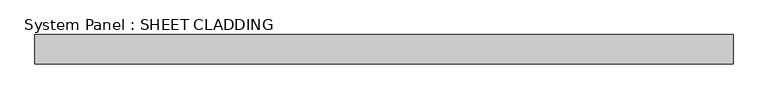
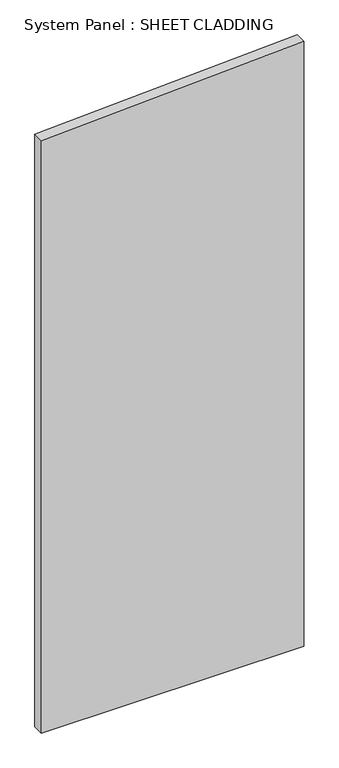
"""IFC4 building model written with IfcOpenShell, lengths in millimetres: plate geometry, System Panel : SHEET CLADDING."""

from ifc_helpers import new_model, si_unit, frame, origin, place, context, project, spatial, polyline, outline, extrude, source, transform, mapped, element, save


def system_panel_sheet_cladding_c7e318e4(model_context):
    return source(origin(), model_context, "Body", "SweptSolid", [
        extrude(outline(polyline([(0.0, -718.75), (0.0, 718.75), (3503.85, 718.75), (3431.975, -718.75), (0.0, -718.75)])), frame((0.0, -49.5, 0.0), z_axis=(0.0, 1.0, 0.0), x_axis=(0.0, 0.0, 1.0)), (0.0, 0.0, 1.0), 60.0),
    ])


if __name__ == "__main__":
    model = new_model("IFC4")
    model_context = context("Model", 3, world=origin())
    ifc_project = project(units=[si_unit("LENGTHUNIT", "METRE", prefix="MILLI")], contexts=[model_context])
    site = spatial("IfcSite", under=ifc_project)
    building = spatial("IfcBuilding", under=site)
    placement = place(None, origin())
    system_panel_sheet_cladding_shape = system_panel_sheet_cladding_c7e318e4(model_context)
    element("IfcPlate", 1, ObjectType="System Panel : SHEET CLADDING", at=placement, inside=building, context=model_context, shape_type="MappedRepresentation", body=[
        mapped(system_panel_sheet_cladding_shape, transform((0.0, 0.0, 0.0), x_axis=(1.0, 0.0, 0.0), y_axis=(0.0, 1.0, 0.0), z_axis=(0.0, 0.0, 1.0))),
    ])
    save(model, "model.ifc")
